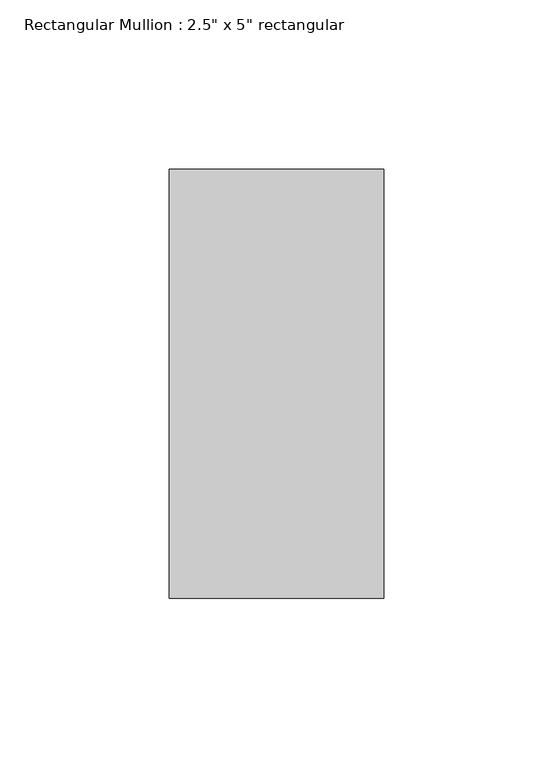
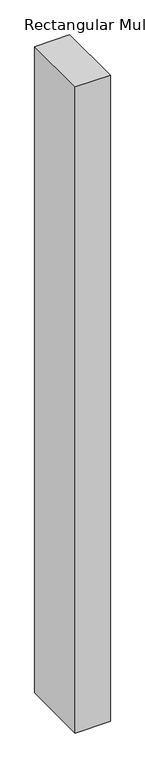
"""IFC4 building model written with IfcOpenShell, lengths in millimetres: member geometry."""

from ifc_helpers import new_model, si_unit, frame, origin, place, context, project, spatial, polyline, outline, extrude, source, transform, mapped, element, save


def member_9d2a99db(model_context):
    return source(origin(), model_context, "Body", "SweptSolid", [
        extrude(outline(polyline([(0.0, 63.5), (0.0, -63.5), (-63.5, -63.5), (-63.5, 63.5), (0.0, 63.5)])), frame((0.0, 0.0, -1236.5), z_axis=(0.0, 0.0, 1.0), x_axis=(1.0, 0.0, 0.0)), (0.0, 0.0, 1.0), 1236.5),
    ])


if __name__ == "__main__":
    model = new_model("IFC4")
    model_context = context("Model", 3, world=origin())
    ifc_project = project(units=[si_unit("LENGTHUNIT", "METRE", prefix="MILLI")], contexts=[model_context])
    site = spatial("IfcSite", under=ifc_project)
    building = spatial("IfcBuilding", under=site)
    placement = place(None, origin())
    member_shape = member_9d2a99db(model_context)
    element("IfcMember", 1, ObjectType="Rectangular Mullion : 2.5\" x 5\" rectangular", at=placement, inside=building, context=model_context, shape_type="MappedRepresentation", body=[
        mapped(member_shape, transform((0.0, 0.0, 0.0), x_axis=(1.0, 0.0, 0.0), y_axis=(0.0, 1.0, 0.0), z_axis=(0.0, 0.0, 1.0))),
    ])
    save(model, "model.ifc")
